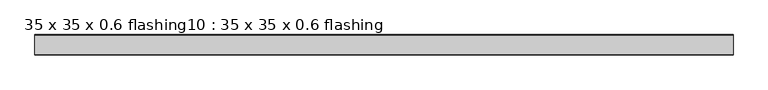
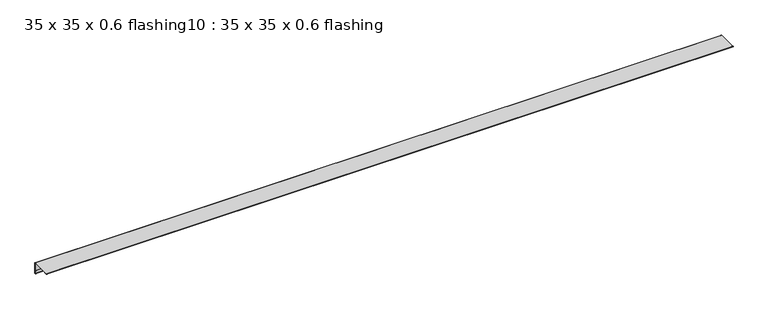
"""IFC4 building model written with IfcOpenShell, lengths in millimetres: proxy geometry, 35 x 35 x 0.6 flashing10 : 35 x 35 x 0.6 flashing."""

from ifc_helpers import new_model, si_unit, point, frame, frame_2d, origin, place, context, project, spatial, polyline, circle_curve, trimmed, segment, composite_curve, outline, extrude, source, transform, mapped, element, save


def proxy_35_x_35_x_0_6_flashing10_35_x_35_x_0_6_flashing_2c366d5a(model_context):
    return source(origin(), model_context, "Body", "SweptSolid", [
        extrude(outline(composite_curve([segment(trimmed(circle_curve(frame_2d((-1082.8701898, 1488.3887139)), 1.0), [point((-1081.8701898, 1488.3887139))], [point((-1083.8701898, 1488.3887139))], False, "CARTESIAN"), True, "CONTINUOUS"), segment(polyline([(-1083.8701898, 1488.3887139), (-1083.8701898, 1497.390498), (-1082.8701898, 1497.390498), (-1082.8701898, 1525.8887139)]), True, "CONTINUOUS"), segment(trimmed(circle_curve(frame_2d((-1084.3701898, 1525.8887139)), 1.5), [point((-1082.8701898, 1525.8887139))], [point((-1084.3701898, 1527.3887139))], True, "CARTESIAN"), True, "CONTINUOUS"), segment(polyline([(-1084.3701898, 1527.3887139), (-1141.8701898, 1527.3887139), (-1141.8701898, 1526.3887139), (-1150.9028672, 1526.3887139)]), True, "CONTINUOUS"), segment(trimmed(circle_curve(frame_2d((-1150.9028672, 1527.3887139)), 1.0), [point((-1150.9028672, 1526.3887139))], [point((-1150.9028672, 1528.3887139))], False, "CARTESIAN"), True, "CONTINUOUS"), segment(polyline([(-1150.9028672, 1528.3887139), (-1084.3701898, 1528.3887139)]), True, "CONTINUOUS"), segment(trimmed(circle_curve(frame_2d((-1084.3701898, 1525.8887139)), 2.5), [point((-1084.3701898, 1528.3887139))], [point((-1081.8701898, 1525.8887139))], False, "CARTESIAN"), True, "CONTINUOUS"), segment(polyline([(-1081.8701898, 1525.8887139), (-1081.8701898, 1488.3887139)]), True, "CONTINUOUS")], self_intersect=False)), frame((-5219.6640929, 0.0, 0.0), z_axis=(1.0, 0.0, 0.0), x_axis=(0.0, 1.0, 0.0)), (0.0, 0.0, 1.0), 2410.6438934),
    ])


if __name__ == "__main__":
    model = new_model("IFC4")
    model_context = context("Model", 3, world=origin())
    ifc_project = project(units=[si_unit("LENGTHUNIT", "METRE", prefix="MILLI")], contexts=[model_context])
    site = spatial("IfcSite", under=ifc_project)
    building = spatial("IfcBuilding", under=site)
    placement = place(None, origin())
    proxy_35_x_35_x_0_6_flashing10_35_x_35_x_0_6_flashing_shape = proxy_35_x_35_x_0_6_flashing10_35_x_35_x_0_6_flashing_2c366d5a(model_context)
    element("IfcBuildingElementProxy", 1, Name="35 x 35 x 0.6 flashing10 : 35 x 35 x 0.6 flashing", ObjectType="35 x 35 x 0.6 flashing10 : 35 x 35 x 0.6 flashing", at=placement, inside=building, context=model_context, shape_type="MappedRepresentation", body=[
        mapped(proxy_35_x_35_x_0_6_flashing10_35_x_35_x_0_6_flashing_shape, transform((0.0, 0.0, 0.0), x_axis=(1.0, 0.0, 0.0), y_axis=(0.0, 1.0, 0.0), z_axis=(0.0, 0.0, 1.0))),
    ])
    save(model, "model.ifc")
